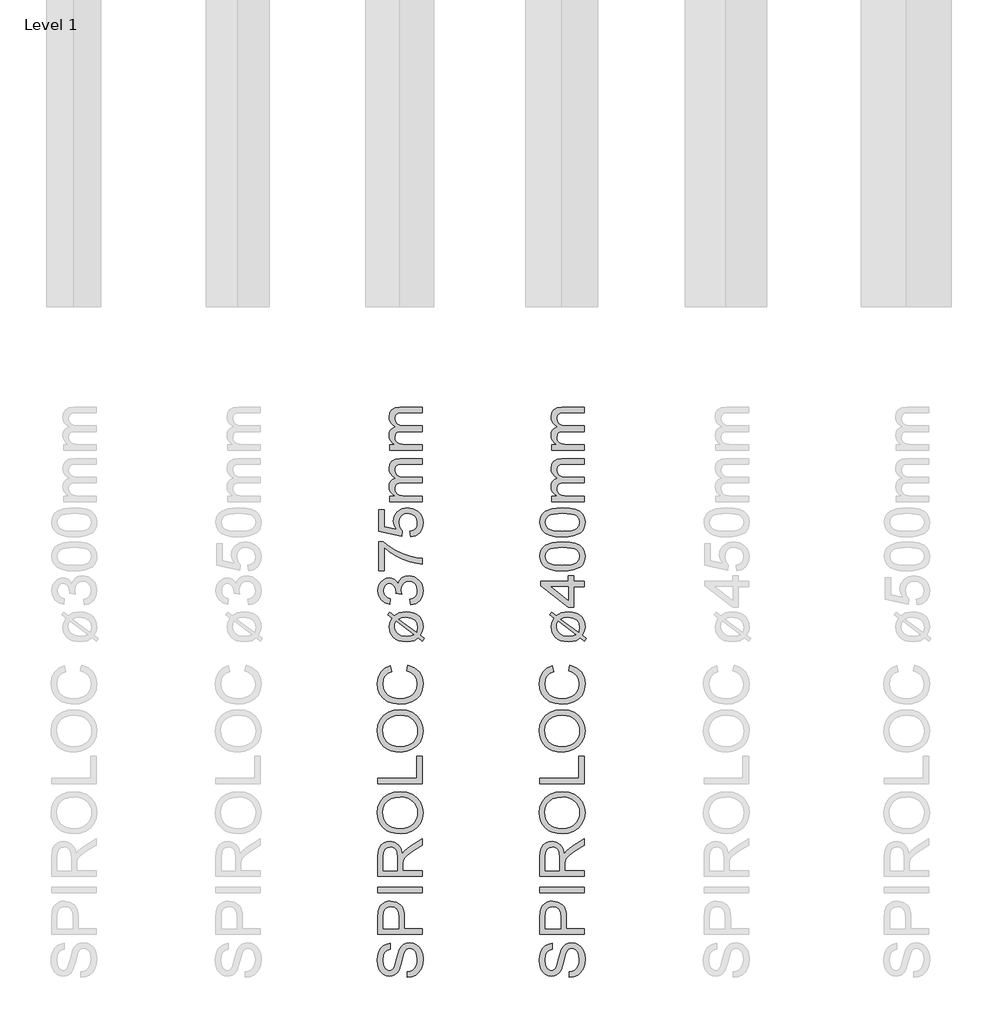
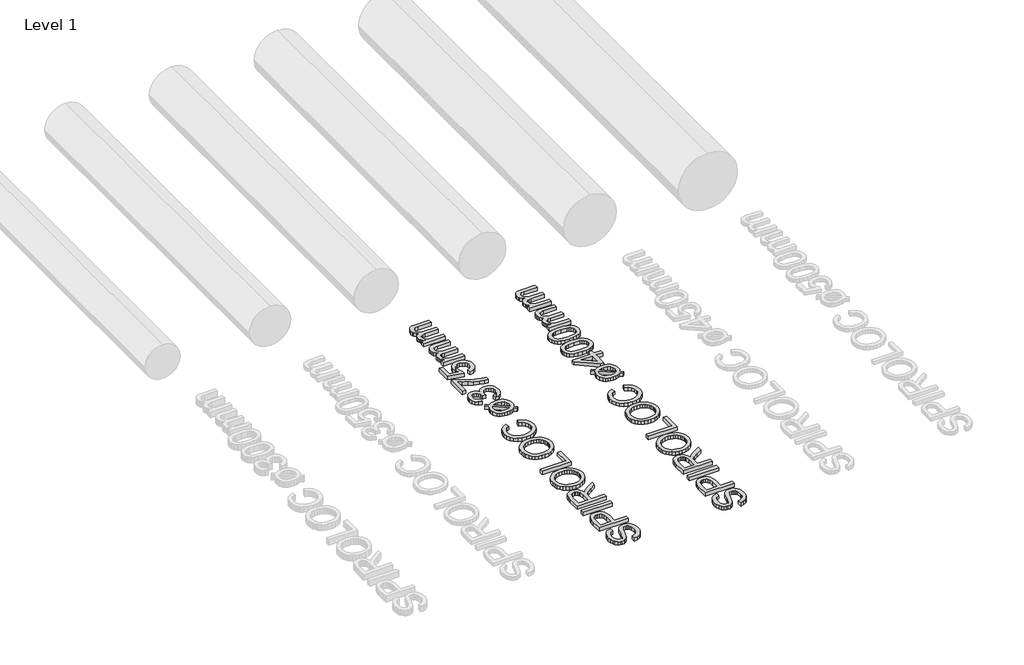
# One storey, part 9 of 19: 2 proxies.
"""IFC4 building model written with IfcOpenShell, lengths in millimetres."""

from ifc_helpers import new_model, si_unit, origin, origin_with_axes, place, context, project, spatial, polyline, outline, extrude, element, save

model = new_model("IFC4")

# Units and contexts
model_context = context("Model", 3, world=origin())
ifc_project = project(units=[si_unit("LENGTHUNIT", "METRE", prefix="MILLI")], contexts=[model_context])

# Site, building, storey
site = spatial("IfcSite", under=ifc_project)
building = spatial("IfcBuilding", under=site)
storey = spatial("IfcBuildingStorey", under=building, Name="Level 1", Elevation=0.0)

# Proxies
placement = place(None, origin())
element("IfcBuildingElementProxy", 1, Name="250mm", ObjectType="250mm", at=placement, inside=storey, context=model_context, shape_type="SweptSolid", body=[
    extrude(outline(polyline([(10517.1504922, -1501.7841772), (10517.1504922, -1471.0149464), (10534.2253119, -1467.4842974), (10547.949771, -1461.099081), (10558.8421989, -1451.1381435), (10567.4209249, -1436.880331), (10572.9873311, -1419.4524464), (10574.8427999, -1399.9812926), (10569.2238095, -1367.8298502), (10562.5531364, -1355.6678911), (10553.779098, -1347.0666291), (10543.7054802, -1341.950944), (10533.1360691, -1340.2457156), (10513.935348, -1345.3538887), (10506.3406965, -1353.1363406), (10499.9629922, -1366.2673502), (10488.2141941, -1411.0690329), (10473.0399153, -1459.2961964), (10462.6883528, -1474.6132036), (10450.1432807, -1485.4680714), (10435.6751316, -1491.93592), (10419.5543383, -1494.0918695), (10401.5330042, -1491.4251026), (10384.7286172, -1483.4248022), (10370.4858287, -1470.3013046), (10360.1492903, -1452.2649464), (10353.8617302, -1430.615307), (10351.7658768, -1406.6519656), (10353.9593864, -1380.6904272), (10360.5399153, -1357.974081), (10371.372247, -1339.3142252), (10386.3211653, -1325.5221579), (10404.4551797, -1316.7931916), (10424.8427999, -1313.3226387), (10424.8427999, -1344.0918695), (10406.4834249, -1349.7409079), (10393.232223, -1361.5197541), (10385.2093864, -1379.9242012), (10382.5351076, -1405.4500426), (10385.1793383, -1431.5768454), (10393.1120307, -1449.5005233), (10404.7857085, -1459.8671099), (10418.652896, -1463.3226387), (10430.4768143, -1460.8737204), (10439.9870307, -1453.5269656), (10448.4906364, -1436.1591772), (10457.1745307, -1403.286581), (10472.6192422, -1348.8394656), (10483.7821028, -1331.2989007), (10497.559146, -1319.0618214), (10513.8001316, -1311.872819), (10532.3548191, -1309.4764849), (10551.3226677, -1312.2333959), (10569.1637133, -1320.5041291), (10584.5182807, -1333.9506435), (10596.0266941, -1352.2348983), (10603.2156965, -1374.2225786), (10605.6120307, -1398.7793695), (10603.027896, -1428.9251026), (10595.2754922, -1453.7373022), (10582.324771, -1473.5014248), (10564.1456845, -1488.5029272), (10542.0002518, -1498.1333358), (10517.1504922, -1501.7841772)])), origin_with_axes(), (0.0, 0.0, 1.0), 30.0),
    extrude(outline(polyline([(10601.7658768, -1263.3226387), (10355.6120307, -1263.3226387), (10355.6120307, -1172.0966772), (10357.9557807, -1135.317831), (10362.3352879, -1118.919093), (10369.4641941, -1105.4199945), (10379.6655162, -1094.5501026), (10393.262271, -1086.0389849), (10409.3004321, -1080.5401868), (10426.825973, -1078.7072541), (10455.8373912, -1083.6576748), (10480.0110691, -1098.5089368), (10489.5287975, -1110.4023412), (10496.3271749, -1126.2808719), (10500.4062013, -1146.1445287), (10501.7658768, -1169.9933118), (10501.7658768, -1232.5534079), (10601.7658768, -1232.5534079), (10601.7658768, -1263.3226387)]), holes=[polyline([(10470.996646, -1232.5534079), (10470.996646, -1168.1904272), (10468.1721268, -1140.9067733), (10459.6985691, -1122.8779272), (10446.1018143, -1112.8268454), (10427.9077037, -1109.4764849), (10414.0855883, -1111.4521459), (10402.4269345, -1117.3791291), (10393.652896, -1126.5212565), (10388.4846268, -1138.1423502), (10386.3812614, -1168.911581), (10386.3812614, -1232.5534079), (10470.996646, -1232.5534079)])]), origin_with_axes(), (0.0, 0.0, 1.0), 30.0),
    extrude(outline(polyline([(10601.7658768, -1032.5534079), (10355.6120307, -1032.5534079), (10355.6120307, -1001.7841772), (10601.7658768, -1001.7841772), (10601.7658768, -1032.5534079)])), origin_with_axes(), (0.0, 0.0, 1.0), 30.0),
    extrude(outline(polyline([(10601.7658768, -940.2457156), (10355.6120307, -940.2457156), (10355.6120307, -834.1760041), (10357.2721869, -805.6678911), (10362.2526557, -784.927206), (10371.4473672, -769.7679512), (10385.7502518, -758.0041291), (10403.4861292, -750.4545498), (10422.9798191, -747.9380233), (10447.2286172, -752.107194), (10467.3307807, -764.614706), (10482.0693624, -785.8361603), (10490.2274153, -816.1471579), (10503.388473, -798.6591772), (10535.059146, -773.7192733), (10601.7658768, -732.6736002), (10601.7658768, -768.4308118), (10550.7442422, -800.4620618), (10516.9702037, -823.599081), (10501.0146749, -839.8550906), (10495.1552999, -854.4885041), (10494.0735691, -872.3370618), (10494.0735691, -909.4764849), (10601.7658768, -909.4764849), (10601.7658768, -940.2457156)]), holes=[polyline([(10463.3043383, -909.4764849), (10463.3043383, -840.6062926), (10458.9473672, -805.4800906), (10453.2833047, -793.9266051), (10445.0050595, -785.5281676), (10434.9915379, -780.4124825), (10424.121646, -778.7072541), (10409.1126316, -781.9599584), (10397.0182807, -791.7180714), (10389.0405162, -808.5074344), (10386.3812614, -832.8538887), (10386.3812614, -909.4764849), (10463.3043383, -909.4764849)])]), origin_with_axes(), (0.0, 0.0, 1.0), 30.0),
    extrude(outline(polyline([(10481.934146, -705.630331), (10453.0617001, -703.5795498), (10427.5020547, -697.427206), (10405.2552097, -687.1732998), (10386.3211653, -672.817831), (10371.2032266, -655.220926), (10360.4046989, -635.2427108), (10353.9255823, -612.8831856), (10351.7658768, -588.1423502), (10355.8223672, -555.8556916), (10367.9918383, -526.9043695), (10387.4179201, -502.8659079), (10413.2442422, -485.317831), (10444.2238095, -474.5906676), (10479.1096268, -471.0149464), (10514.4611893, -474.778468), (10545.8764537, -486.0690329), (10571.747848, -504.2631435), (10590.4677999, -528.7373022), (10601.825973, -557.4407276), (10605.6120307, -588.3226387), (10601.4278359, -621.1050906), (10588.8752518, -650.2216772), (10569.0885932, -674.2000426), (10543.2021749, -691.567831), (10513.4170186, -702.114706), (10481.934146, -705.630331)]), holes=[polyline([(10482.2346268, -674.8611002), (10502.633515, -673.3230143), (10520.7412374, -668.7087565), (10536.5577939, -661.0183268), (10550.0831845, -650.2517252), (10560.9155162, -637.1639097), (10568.652896, -622.5098382), (10573.2953239, -606.2895107), (10574.8427999, -588.5029272), (10573.2802999, -570.4121069), (10568.5927999, -554.0002228), (10560.7802999, -539.2672751), (10549.8427999, -526.2132637), (10536.0319525, -515.5255383), (10519.5994105, -507.8914488), (10500.5451737, -503.3109951), (10478.8692422, -501.7841772), (10451.6306605, -504.3983599), (10428.0879922, -512.2409079), (10408.8346869, -525.1089969), (10394.4641941, -542.7998022), (10385.5173792, -564.1414488), (10382.5351076, -587.9620618), (10388.2818023, -621.0600185), (10405.5218864, -649.2000426), (10418.9364748, -660.4267553), (10436.1934609, -668.4458358), (10457.292845, -673.2572841), (10482.2346268, -674.8611002)])]), origin_with_axes(), (0.0, 0.0, 1.0), 30.0),
    extrude(outline(polyline([(10601.7658768, -428.7072541), (10355.6120307, -428.7072541), (10355.6120307, -397.9380233), (10570.996646, -397.9380233), (10570.996646, -274.8611002), (10601.7658768, -274.8611002), (10601.7658768, -428.7072541)])), origin_with_axes(), (0.0, 0.0, 1.0), 30.0),
    extrude(outline(polyline([(10481.934146, -251.7841772), (10453.0617001, -249.7333959), (10427.5020547, -243.5810522), (10405.2552097, -233.3271459), (10386.3211653, -218.9716772), (10371.2032266, -201.3747721), (10360.4046989, -181.396557), (10353.9255823, -159.0370317), (10351.7658768, -134.2961964), (10355.8223672, -102.0095377), (10367.9918383, -73.0582156), (10387.4179201, -49.0197541), (10413.2442422, -31.4716772), (10444.2238095, -20.7445137), (10479.1096268, -17.1687926), (10514.4611893, -20.9323142), (10545.8764537, -32.2228791), (10571.747848, -50.4169897), (10590.4677999, -74.8911483), (10601.825973, -103.5945738), (10605.6120307, -134.4764849), (10601.4278359, -167.2589368), (10588.8752518, -196.3755233), (10569.0885932, -220.3538887), (10543.2021749, -237.7216772), (10513.4170186, -248.2685522), (10481.934146, -251.7841772)]), holes=[polyline([(10482.2346268, -221.0149464), (10502.633515, -219.4768605), (10520.7412374, -214.8626026), (10536.5577939, -207.172173), (10550.0831845, -196.4055714), (10560.9155162, -183.3177559), (10568.652896, -168.6636844), (10573.2953239, -152.4433569), (10574.8427999, -134.6567733), (10573.2802999, -116.565953), (10568.5927999, -100.154069), (10560.7802999, -85.4211213), (10549.8427999, -72.3671099), (10536.0319525, -61.6793845), (10519.5994105, -54.045295), (10500.5451737, -49.4648412), (10478.8692422, -47.9380233), (10451.6306605, -50.552206), (10428.0879922, -58.3947541), (10408.8346869, -71.262843), (10394.4641941, -88.9536483), (10385.5173792, -110.295295), (10382.5351076, -134.1159079), (10388.2818023, -167.2138647), (10405.5218864, -195.3538887), (10418.9364748, -206.5806014), (10436.1934609, -214.599682), (10457.292845, -219.4111303), (10482.2346268, -221.0149464)])]), origin_with_axes(), (0.0, 0.0, 1.0), 30.0),
    extrude(outline(polyline([(10514.2658768, 198.2158228), (10522.1985691, 228.9850536), (10558.0534369, 214.7873373), (10584.247848, 192.5066882), (10600.270985, 163.2398613), (10605.6120307, 128.0836113), (10601.5705643, 92.3940079), (10589.4461653, 64.0511594), (10569.6595066, 42.3263998), (10542.6312614, 26.4910632), (10510.8554201, 16.8230945), (10476.825973, 13.6004382), (10440.9335451, 17.2437675), (10409.9389537, 28.1737555), (10384.8262734, 45.8194887), (10366.5795787, 69.6100536), (10355.4693023, 97.8251978), (10351.7658768, 128.744669), (10356.5585451, 162.4811474), (10370.9365499, 190.3732748), (10394.013473, 211.549657), (10424.902896, 225.1388998), (10432.2346268, 194.369669), (10409.7962254, 183.7026017), (10394.404098, 169.1292844), (10385.5023552, 150.4694286), (10382.5351076, 127.5427459), (10385.825372, 101.1154623), (10395.6961653, 79.4057267), (10411.1108287, 62.9318685), (10431.0327037, 52.2122171), (10453.5537374, 46.330306), (10476.7658768, 44.369669), (10505.1913576, 46.6908829), (10529.7706845, 53.6545248), (10549.5648552, 65.5235151), (10563.6348672, 82.5607748), (10572.0408167, 102.985955), (10574.8427999, 125.0187074), (10571.0266941, 150.7023012), (10559.5783768, 172.104044), (10540.6180403, 188.2623974), (10514.2658768, 198.2158228)])), origin_with_axes(), (0.0, 0.0, 1.0), 30.0),
    extrude(outline(polyline([(10434.6985691, 490.2831305), (10410.419723, 508.6725536), (10421.5976076, 523.3360151), (10447.0182807, 504.0451498), (10473.2802999, 519.5499574), (10512.4629922, 525.1388998), (10536.0056605, 523.3923553), (10556.2129922, 518.1527219), (10573.0849874, 509.4199995), (10586.621646, 497.1941882), (10600.8644345, 472.2092123), (10605.6120307, 442.5667844), (10601.5705643, 417.822193), (10589.4461653, 396.1124574), (10613.3043383, 378.0235151), (10602.3668383, 363.119669), (10579.590396, 380.4273613), (10556.3932807, 366.4249574), (10536.591598, 361.4219526), (10514.325973, 359.7542844), (10490.4396298, 361.2717123), (10470.1027158, 365.8239959), (10453.3152308, 373.4111353), (10440.0771749, 384.0331305), (10422.8821629, 410.4303661), (10417.1504922, 441.0643805), (10421.387271, 466.0042844), (10434.6985691, 490.2831305)]), holes=[polyline([(10456.5735691, 473.6965921), (10450.0831845, 458.3119767), (10447.919723, 442.2062074), (10452.0738696, 421.9988757), (10464.5363095, 405.3672651), (10485.2168984, 394.2344526), (10514.0254922, 390.5235151), (10536.4413576, 392.6719526), (10554.8908768, 399.1172651), (10456.5735691, 473.6965921)]), polyline([(10471.9581845, 485.1749574), (10569.7346268, 411.0163036), (10574.8427999, 440.5836113), (10570.7787975, 461.9177459), (10558.5867903, 479.1653421), (10538.2818023, 490.5685873), (10509.8788576, 494.369669), (10488.6649153, 492.025919), (10471.9581845, 485.1749574)])]), origin_with_axes(), (0.0, 0.0, 1.0), 30.0),
    extrude(outline(polyline([(10536.3812614, 563.6004382), (10532.5351076, 594.369669), (10551.8710451, 601.2581906), (10564.9269345, 611.3468324), (10572.3638335, 625.1313877), (10574.8427999, 643.1076498), (10571.4323432, 664.2013998), (10561.200973, 680.4874574), (10545.9365499, 690.8991161), (10527.4269345, 694.369669), (10509.8563215, 690.9291642), (10495.606021, 680.6076498), (10486.1634129, 664.9826498), (10483.0158768, 645.6316882), (10486.3812614, 624.057169), (10455.6120307, 627.4826498), (10455.9726076, 632.4105344), (10453.7640739, 650.8450296), (10447.138473, 667.3263998), (10435.9305403, 678.9550055), (10419.9750114, 682.8312074), (10406.6862494, 680.0217123), (10395.9065018, 671.5932267), (10388.7625715, 658.7326498), (10386.3812614, 642.6268805), (10388.7851076, 626.4910632), (10395.996646, 613.2999574), (10408.0158768, 603.6695488), (10424.8427999, 598.2158228), (10420.996646, 567.4465921), (10393.3674393, 576.5060873), (10372.7394345, 592.6268805), (10359.8938816, 614.682169), (10355.6120307, 641.5451498), (10357.7229081, 660.8885993), (10364.0555403, 678.6545248), (10374.0465258, 693.6334911), (10387.1324633, 704.6160632), (10402.2090859, 711.3543445), (10418.1721268, 713.6004382), (10433.0459249, 711.4670248), (10446.5375114, 705.0667844), (10458.0309008, 694.4898613), (10466.9101076, 679.8263998), (10474.6925595, 699.0872171), (10487.9437614, 713.3600536), (10505.9425595, 722.1941882), (10527.9677999, 725.1388998), (10557.9557807, 719.2494767), (10583.0158768, 701.5812074), (10592.9016941, 689.0248673), (10599.9629922, 674.9135392), (10605.6120307, 642.025919), (10600.7893143, 612.2783228), (10586.3211653, 588.0595728), (10564.1907566, 571.2176257), (10536.3812614, 563.6004382)])), origin_with_axes(), (0.0, 0.0, 1.0), 30.0),
    extrude(outline(polyline([(10390.2274153, 752.0619767), (10359.4581845, 752.0619767), (10359.4581845, 913.6004382), (10384.3379922, 913.6004382), (10413.4771148, 890.5760993), (10450.5339057, 867.7771209), (10492.1279561, 847.6674454), (10534.8788576, 832.7110151), (10566.8650355, 825.3792844), (10601.7658768, 821.2927459), (10601.7658768, 790.5235151), (10570.0501316, 793.8513397), (10532.3548191, 802.7530824), (10492.3983888, 816.9883589), (10453.8992903, 836.3167844), (10419.0961052, 858.8828901), (10390.2274153, 882.8312074), (10390.2274153, 752.0619767)])), origin_with_axes(), (0.0, 0.0, 1.0), 30.0),
    extrude(outline(polyline([(10536.3812614, 940.5235151), (10532.5351076, 971.2927459), (10551.0071629, 976.9417844), (10564.2358287, 986.7975536), (10572.1910571, 1000.8149815), (10574.8427999, 1018.9489959), (10571.1543984, 1041.0042844), (10560.0891941, 1057.5307267), (10542.9242302, 1067.8522411), (10520.9365499, 1071.2927459), (10500.2334249, 1068.0700897), (10484.3980883, 1058.4021209), (10474.3470066, 1042.2137195), (10470.996646, 1019.4297651), (10476.3452037, 992.416544), (10490.2274153, 975.1388998), (10486.3812614, 944.369669), (10359.4581845, 971.2927459), (10359.4581845, 1090.5235151), (10390.2274153, 1090.5235151), (10390.2274153, 996.1725536), (10458.0158768, 983.0114959), (10444.6745307, 1004.9916642), (10440.2274153, 1028.0235151), (10445.7412374, 1056.7720127), (10462.2827037, 1080.6376978), (10487.4930403, 1096.705907), (10519.013473, 1102.0619767), (10549.7827037, 1097.2392603), (10576.1048191, 1082.7711113), (10589.0142242, 1069.9856546), (10598.2352278, 1055.0667844), (10603.7678299, 1038.0145007), (10605.6120307, 1018.8288036), (10600.8719465, 988.6079502), (10586.6516941, 964.5319286), (10564.6039177, 948.0280224), (10536.3812614, 940.5235151)])), origin_with_axes(), (0.0, 0.0, 1.0), 30.0),
    extrude(outline(polyline([(10601.7658768, 1136.6773613), (10420.996646, 1136.6773613), (10420.996646, 1167.4465921), (10450.7442422, 1167.4465921), (10437.0798792, 1176.7013998), (10426.3752518, 1188.6004382), (10419.4566821, 1202.7380584), (10417.1504922, 1218.7086113), (10419.5017542, 1235.8209911), (10426.5555403, 1249.5379382), (10437.8461052, 1259.7843324), (10452.9077037, 1266.4850536), (10437.2639237, 1277.7004983), (10426.0897951, 1290.4934671), (10419.3853179, 1304.8639599), (10417.1504922, 1320.8119767), (10420.8689417, 1343.9414839), (10432.0242903, 1361.0463517), (10450.9170186, 1371.6157627), (10477.8476076, 1375.1388998), (10601.7658768, 1375.1388998), (10601.7658768, 1344.369669), (10491.0687614, 1344.369669), (10465.3776557, 1341.5151017), (10452.7274153, 1331.1785632), (10447.919723, 1313.6004382), (10450.9996508, 1296.9312675), (10460.2394345, 1283.3420248), (10476.2700835, 1274.3050656), (10499.7226076, 1271.2927459), (10601.7658768, 1271.2927459), (10601.7658768, 1240.5235151), (10487.6432807, 1240.5235151), (10470.2454441, 1238.7431666), (10457.8355883, 1233.4021209), (10450.3986893, 1224.0045849), (10447.919723, 1210.0547651), (10449.5723672, 1198.2007988), (10454.5302999, 1187.2783228), (10462.6733287, 1178.2638998), (10473.8812614, 1172.1340921), (10510.6000114, 1167.4465921), (10601.7658768, 1167.4465921), (10601.7658768, 1136.6773613)])), origin_with_axes(), (0.0, 0.0, 1.0), 30.0),
    extrude(outline(polyline([(10601.7658768, 1421.2927459), (10420.996646, 1421.2927459), (10420.996646, 1452.0619767), (10450.7442422, 1452.0619767), (10437.0798792, 1461.3167844), (10426.3752518, 1473.2158228), (10419.4566821, 1487.353443), (10417.1504922, 1503.3239959), (10419.5017542, 1520.4363757), (10426.5555403, 1534.1533228), (10437.8461052, 1544.3997171), (10452.9077037, 1551.1004382), (10437.2639237, 1562.3158829), (10426.0897951, 1575.1088517), (10419.3853179, 1589.4793445), (10417.1504922, 1605.4273613), (10420.8689417, 1628.5568685), (10432.0242903, 1645.6617363), (10450.9170186, 1656.2311474), (10477.8476076, 1659.7542844), (10601.7658768, 1659.7542844), (10601.7658768, 1628.9850536), (10491.0687614, 1628.9850536), (10465.3776557, 1626.1304863), (10452.7274153, 1615.7939478), (10447.919723, 1598.2158228), (10450.9996508, 1581.5466522), (10460.2394345, 1567.9574094), (10476.2700835, 1558.9204502), (10499.7226076, 1555.9081305), (10601.7658768, 1555.9081305), (10601.7658768, 1525.1388998), (10487.6432807, 1525.1388998), (10470.2454441, 1523.3585512), (10457.8355883, 1518.0175055), (10450.3986893, 1508.6199695), (10447.919723, 1494.6701498), (10449.5723672, 1482.8161834), (10454.5302999, 1471.8937074), (10462.6733287, 1462.8792844), (10473.8812614, 1456.7494767), (10510.6000114, 1452.0619767), (10601.7658768, 1452.0619767), (10601.7658768, 1421.2927459)])), origin_with_axes(), (0.0, 0.0, 1.0), 30.0),
])
element("IfcBuildingElementProxy", 2, Name="250mm", ObjectType="250mm", at=placement, inside=storey, context=model_context, shape_type="SweptSolid", body=[
    extrude(outline(polyline([(11415.2274153, -1501.7841772), (11415.2274153, -1471.0149464), (11432.302235, -1467.4842974), (11446.0266941, -1461.099081), (11456.919122, -1451.1381435), (11465.497848, -1436.880331), (11471.0642542, -1419.4524464), (11472.919723, -1399.9812926), (11467.3007326, -1367.8298502), (11460.6300595, -1355.6678911), (11451.856021, -1347.0666291), (11441.7824033, -1341.950944), (11431.2129922, -1340.2457156), (11412.012271, -1345.3538887), (11404.4176196, -1353.1363406), (11398.0399153, -1366.2673502), (11386.2911172, -1411.0690329), (11371.1168383, -1459.2961964), (11360.7652758, -1474.6132036), (11348.2202037, -1485.4680714), (11333.7520547, -1491.93592), (11317.6312614, -1494.0918695), (11299.6099273, -1491.4251026), (11282.8055403, -1483.4248022), (11268.5627518, -1470.3013046), (11258.2262133, -1452.2649464), (11251.9386533, -1430.615307), (11249.8427999, -1406.6519656), (11252.0363095, -1380.6904272), (11258.6168383, -1357.974081), (11269.4491701, -1339.3142252), (11284.3980883, -1325.5221579), (11302.5321028, -1316.7931916), (11322.919723, -1313.3226387), (11322.919723, -1344.0918695), (11304.560348, -1349.7409079), (11291.309146, -1361.5197541), (11283.2863095, -1379.9242012), (11280.6120307, -1405.4500426), (11283.2562614, -1431.5768454), (11291.1889537, -1449.5005233), (11302.8626316, -1459.8671099), (11316.7298191, -1463.3226387), (11328.5537374, -1460.8737204), (11338.0639537, -1453.5269656), (11346.5675595, -1436.1591772), (11355.2514537, -1403.286581), (11370.6961653, -1348.8394656), (11381.8590258, -1331.2989007), (11395.6360691, -1319.0618214), (11411.8770547, -1311.872819), (11430.4317422, -1309.4764849), (11449.3995908, -1312.2333959), (11467.2406364, -1320.5041291), (11482.5952037, -1333.9506435), (11494.1036172, -1352.2348983), (11501.2926196, -1374.2225786), (11503.6889537, -1398.7793695), (11501.1048191, -1428.9251026), (11493.3524153, -1453.7373022), (11480.4016941, -1473.5014248), (11462.2226076, -1488.5029272), (11440.0771749, -1498.1333358), (11415.2274153, -1501.7841772)])), origin_with_axes(), (0.0, 0.0, 1.0), 30.0),
    extrude(outline(polyline([(11499.8427999, -1263.3226387), (11253.6889537, -1263.3226387), (11253.6889537, -1172.0966772), (11256.0327037, -1135.317831), (11260.4122109, -1118.919093), (11267.5411172, -1105.4199945), (11277.7424393, -1094.5501026), (11291.3391941, -1086.0389849), (11307.3773552, -1080.5401868), (11324.902896, -1078.7072541), (11353.9143143, -1083.6576748), (11378.0879922, -1098.5089368), (11387.6057206, -1110.4023412), (11394.404098, -1126.2808719), (11398.4831244, -1146.1445287), (11399.8427999, -1169.9933118), (11399.8427999, -1232.5534079), (11499.8427999, -1232.5534079), (11499.8427999, -1263.3226387)]), holes=[polyline([(11369.0735691, -1232.5534079), (11369.0735691, -1168.1904272), (11366.2490499, -1140.9067733), (11357.7754922, -1122.8779272), (11344.1787374, -1112.8268454), (11325.9846268, -1109.4764849), (11312.1625114, -1111.4521459), (11300.5038576, -1117.3791291), (11291.7298191, -1126.5212565), (11286.5615499, -1138.1423502), (11284.4581845, -1168.911581), (11284.4581845, -1232.5534079), (11369.0735691, -1232.5534079)])]), origin_with_axes(), (0.0, 0.0, 1.0), 30.0),
    extrude(outline(polyline([(11499.8427999, -1032.5534079), (11253.6889537, -1032.5534079), (11253.6889537, -1001.7841772), (11499.8427999, -1001.7841772), (11499.8427999, -1032.5534079)])), origin_with_axes(), (0.0, 0.0, 1.0), 30.0),
    extrude(outline(polyline([(11499.8427999, -940.2457156), (11253.6889537, -940.2457156), (11253.6889537, -834.1760041), (11255.34911, -805.6678911), (11260.3295787, -784.927206), (11269.5242903, -769.7679512), (11283.8271749, -758.0041291), (11301.5630523, -750.4545498), (11321.0567422, -747.9380233), (11345.3055403, -752.107194), (11365.4077037, -764.614706), (11380.1462855, -785.8361603), (11388.3043383, -816.1471579), (11401.465396, -798.6591772), (11433.1360691, -773.7192733), (11499.8427999, -732.6736002), (11499.8427999, -768.4308118), (11448.8211653, -800.4620618), (11415.0471268, -823.599081), (11399.091598, -839.8550906), (11393.232223, -854.4885041), (11392.1504922, -872.3370618), (11392.1504922, -909.4764849), (11499.8427999, -909.4764849), (11499.8427999, -940.2457156)]), holes=[polyline([(11361.3812614, -909.4764849), (11361.3812614, -840.6062926), (11357.0242903, -805.4800906), (11351.3602278, -793.9266051), (11343.0819826, -785.5281676), (11333.0684609, -780.4124825), (11322.1985691, -778.7072541), (11307.1895547, -781.9599584), (11295.0952037, -791.7180714), (11287.1174393, -808.5074344), (11284.4581845, -832.8538887), (11284.4581845, -909.4764849), (11361.3812614, -909.4764849)])]), origin_with_axes(), (0.0, 0.0, 1.0), 30.0),
    extrude(outline(polyline([(11380.0110691, -705.630331), (11351.1386232, -703.5795498), (11325.5789778, -697.427206), (11303.3321328, -687.1732998), (11284.3980883, -672.817831), (11269.2801496, -655.220926), (11258.481622, -635.2427108), (11252.0025054, -612.8831856), (11249.8427999, -588.1423502), (11253.8992903, -555.8556916), (11266.0687614, -526.9043695), (11285.4948432, -502.8659079), (11311.3211653, -485.317831), (11342.3007326, -474.5906676), (11377.1865499, -471.0149464), (11412.5381124, -474.778468), (11443.9533768, -486.0690329), (11469.824771, -504.2631435), (11488.544723, -528.7373022), (11499.902896, -557.4407276), (11503.6889537, -588.3226387), (11499.504759, -621.1050906), (11486.9521749, -650.2216772), (11467.1655162, -674.2000426), (11441.279098, -691.567831), (11411.4939417, -702.114706), (11380.0110691, -705.630331)]), holes=[polyline([(11380.3115499, -674.8611002), (11400.7104381, -673.3230143), (11418.8181605, -668.7087565), (11434.634717, -661.0183268), (11448.1601076, -650.2517252), (11458.9924393, -637.1639097), (11466.7298191, -622.5098382), (11471.372247, -606.2895107), (11472.919723, -588.5029272), (11471.357223, -570.4121069), (11466.669723, -554.0002228), (11458.857223, -539.2672751), (11447.919723, -526.2132637), (11434.1088756, -515.5255383), (11417.6763335, -507.8914488), (11398.6220968, -503.3109951), (11376.9461653, -501.7841772), (11349.7075835, -504.3983599), (11326.1649153, -512.2409079), (11306.91161, -525.1089969), (11292.5411172, -542.7998022), (11283.5943023, -564.1414488), (11280.6120307, -587.9620618), (11286.3587254, -621.0600185), (11303.5988095, -649.2000426), (11317.0133978, -660.4267553), (11334.270384, -668.4458358), (11355.369768, -673.2572841), (11380.3115499, -674.8611002)])]), origin_with_axes(), (0.0, 0.0, 1.0), 30.0),
    extrude(outline(polyline([(11499.8427999, -428.7072541), (11253.6889537, -428.7072541), (11253.6889537, -397.9380233), (11469.0735691, -397.9380233), (11469.0735691, -274.8611002), (11499.8427999, -274.8611002), (11499.8427999, -428.7072541)])), origin_with_axes(), (0.0, 0.0, 1.0), 30.0),
    extrude(outline(polyline([(11380.0110691, -251.7841772), (11351.1386232, -249.7333959), (11325.5789778, -243.5810522), (11303.3321328, -233.3271459), (11284.3980883, -218.9716772), (11269.2801496, -201.3747721), (11258.481622, -181.396557), (11252.0025054, -159.0370317), (11249.8427999, -134.2961964), (11253.8992903, -102.0095377), (11266.0687614, -73.0582156), (11285.4948432, -49.0197541), (11311.3211653, -31.4716772), (11342.3007326, -20.7445137), (11377.1865499, -17.1687926), (11412.5381124, -20.9323142), (11443.9533768, -32.2228791), (11469.824771, -50.4169897), (11488.544723, -74.8911483), (11499.902896, -103.5945738), (11503.6889537, -134.4764849), (11499.504759, -167.2589368), (11486.9521749, -196.3755233), (11467.1655162, -220.3538887), (11441.279098, -237.7216772), (11411.4939417, -248.2685522), (11380.0110691, -251.7841772)]), holes=[polyline([(11380.3115499, -221.0149464), (11400.7104381, -219.4768605), (11418.8181605, -214.8626026), (11434.634717, -207.172173), (11448.1601076, -196.4055714), (11458.9924393, -183.3177559), (11466.7298191, -168.6636844), (11471.372247, -152.4433569), (11472.919723, -134.6567733), (11471.357223, -116.565953), (11466.669723, -100.154069), (11458.857223, -85.4211213), (11447.919723, -72.3671099), (11434.1088756, -61.6793845), (11417.6763335, -54.045295), (11398.6220968, -49.4648412), (11376.9461653, -47.9380233), (11349.7075835, -50.552206), (11326.1649153, -58.3947541), (11306.91161, -71.262843), (11292.5411172, -88.9536483), (11283.5943023, -110.295295), (11280.6120307, -134.1159079), (11286.3587254, -167.2138647), (11303.5988095, -195.3538887), (11317.0133978, -206.5806014), (11334.270384, -214.599682), (11355.369768, -219.4111303), (11380.3115499, -221.0149464)])]), origin_with_axes(), (0.0, 0.0, 1.0), 30.0),
    extrude(outline(polyline([(11412.3427999, 198.2158228), (11420.2754922, 228.9850536), (11456.13036, 214.7873373), (11482.324771, 192.5066882), (11498.3479081, 163.2398613), (11503.6889537, 128.0836113), (11499.6474874, 92.3940079), (11487.5230883, 64.0511594), (11467.7364297, 42.3263998), (11440.7081845, 26.4910632), (11408.9323432, 16.8230945), (11374.902896, 13.6004382), (11339.0104682, 17.2437675), (11308.0158768, 28.1737555), (11282.9031965, 45.8194887), (11264.6565018, 69.6100536), (11253.5462254, 97.8251978), (11249.8427999, 128.744669), (11254.6354682, 162.4811474), (11269.013473, 190.3732748), (11292.090396, 211.549657), (11322.9798191, 225.1388998), (11330.3115499, 194.369669), (11307.8731484, 183.7026017), (11292.481021, 169.1292844), (11283.5792783, 150.4694286), (11280.6120307, 127.5427459), (11283.9022951, 101.1154623), (11293.7730883, 79.4057267), (11309.1877518, 62.9318685), (11329.1096268, 52.2122171), (11351.6306605, 46.330306), (11374.8427999, 44.369669), (11403.2682807, 46.6908829), (11427.8476076, 53.6545248), (11447.6417783, 65.5235151), (11461.7117903, 82.5607748), (11470.1177398, 102.985955), (11472.919723, 125.0187074), (11469.1036172, 150.7023012), (11457.6552999, 172.104044), (11438.6949633, 188.2623974), (11412.3427999, 198.2158228)])), origin_with_axes(), (0.0, 0.0, 1.0), 30.0),
    extrude(outline(polyline([(11332.7754922, 490.2831305), (11308.496646, 508.6725536), (11319.6745307, 523.3360151), (11345.0952037, 504.0451498), (11371.357223, 519.5499574), (11410.5399153, 525.1388998), (11434.0825835, 523.3923553), (11454.2899153, 518.1527219), (11471.1619105, 509.4199995), (11484.6985691, 497.1941882), (11498.9413576, 472.2092123), (11503.6889537, 442.5667844), (11499.6474874, 417.822193), (11487.5230883, 396.1124574), (11511.3812614, 378.0235151), (11500.4437614, 363.119669), (11477.6673191, 380.4273613), (11454.4702037, 366.4249574), (11434.668521, 361.4219526), (11412.402896, 359.7542844), (11388.5165529, 361.2717123), (11368.1796388, 365.8239959), (11351.3921539, 373.4111353), (11338.154098, 384.0331305), (11320.9590859, 410.4303661), (11315.2274153, 441.0643805), (11319.4641941, 466.0042844), (11332.7754922, 490.2831305)]), holes=[polyline([(11354.6504922, 473.6965921), (11348.1601076, 458.3119767), (11345.996646, 442.2062074), (11350.1507927, 421.9988757), (11362.6132326, 405.3672651), (11383.2938215, 394.2344526), (11412.1024153, 390.5235151), (11434.5182807, 392.6719526), (11452.9677999, 399.1172651), (11354.6504922, 473.6965921)]), polyline([(11370.0351076, 485.1749574), (11467.8115499, 411.0163036), (11472.919723, 440.5836113), (11468.8557206, 461.9177459), (11456.6637133, 479.1653421), (11436.3587254, 490.5685873), (11407.9557807, 494.369669), (11386.7418383, 492.025919), (11370.0351076, 485.1749574)])]), origin_with_axes(), (0.0, 0.0, 1.0), 30.0),
    extrude(outline(polyline([(11499.8427999, 663.6004382), (11442.1504922, 663.6004382), (11442.1504922, 552.0619767), (11411.3812614, 552.0619767), (11257.5351076, 671.2927459), (11257.5351076, 694.369669), (11411.3812614, 694.369669), (11411.3812614, 725.1388998), (11442.1504922, 725.1388998), (11442.1504922, 694.369669), (11499.8427999, 694.369669), (11499.8427999, 663.6004382)]), holes=[polyline([(11411.3812614, 663.6004382), (11316.309146, 663.6004382), (11411.3812614, 589.9225536), (11411.3812614, 663.6004382)])]), origin_with_axes(), (0.0, 0.0, 1.0), 30.0),
    extrude(outline(polyline([(11378.7490499, 752.0619767), (11339.348509, 754.3230945), (11307.9257326, 761.1064478), (11283.9999513, 772.3444286), (11267.090396, 787.9694286), (11257.0393143, 808.0941281), (11253.6889537, 832.8312074), (11255.6721268, 851.791544), (11261.621646, 868.7687074), (11271.3046388, 882.9664238), (11284.4882326, 893.588419), (11320.9065018, 908.0114959), (11346.1093263, 912.2032026), (11378.7490499, 913.6004382), (11417.9242302, 911.3618565), (11449.2718864, 904.6461113), (11473.2202037, 893.4757387), (11490.1973672, 877.8732748), (11500.3160571, 857.7035031), (11503.6889537, 832.8312074), (11502.22411, 815.8840921), (11497.8295787, 800.8600536), (11490.50536, 787.7590921), (11480.2514537, 776.5812074), (11461.7155463, 765.854044), (11438.6198432, 758.1917844), (11410.9643444, 753.5944286), (11378.7490499, 752.0619767)]), holes=[polyline([(11378.6889537, 782.8312074), (11427.0888936, 786.4369767), (11443.643506, 790.9441882), (11455.1012133, 797.2542844), (11468.4650956, 813.3600536), (11472.919723, 832.8312074), (11468.4500715, 852.3023613), (11455.0411172, 868.4081305), (11443.5646298, 874.7182267), (11427.0137734, 879.2254382), (11378.6889537, 882.8312074), (11331.3782566, 879.3456305), (11314.8781064, 874.9886594), (11303.1480883, 868.8888998), (11289.1306605, 852.8131786), (11284.4581845, 832.4706305), (11288.574771, 813.2098132), (11300.9245307, 797.7350536), (11313.6949633, 791.2146209), (11330.9125114, 786.557169), (11378.6889537, 782.8312074)])]), origin_with_axes(), (0.0, 0.0, 1.0), 30.0),
    extrude(outline(polyline([(11378.7490499, 940.5235151), (11339.348509, 942.7846329), (11307.9257326, 949.5679863), (11283.9999513, 960.8059671), (11267.090396, 976.4309671), (11257.0393143, 996.5556666), (11253.6889537, 1021.2927459), (11255.6721268, 1040.2530824), (11261.621646, 1057.2302459), (11271.3046388, 1071.4279623), (11284.4882326, 1082.0499574), (11320.9065018, 1096.4730344), (11346.1093263, 1100.6647411), (11378.7490499, 1102.0619767), (11417.9242302, 1099.8233949), (11449.2718864, 1093.1076498), (11473.2202037, 1081.9372772), (11490.1973672, 1066.3348132), (11500.3160571, 1046.1650416), (11503.6889537, 1021.2927459), (11502.22411, 1004.3456305), (11497.8295787, 989.3215921), (11490.50536, 976.2206305), (11480.2514537, 965.0427459), (11461.7155463, 954.3155824), (11438.6198432, 946.6533228), (11410.9643444, 942.0559671), (11378.7490499, 940.5235151)]), holes=[polyline([(11378.6889537, 971.2927459), (11427.0888936, 974.8985151), (11443.643506, 979.4057267), (11455.1012133, 985.7158228), (11468.4650956, 1001.8215921), (11472.919723, 1021.2927459), (11468.4500715, 1040.7638998), (11455.0411172, 1056.869669), (11443.5646298, 1063.1797651), (11427.0137734, 1067.6869767), (11378.6889537, 1071.2927459), (11331.3782566, 1067.807169), (11314.8781064, 1063.4501978), (11303.1480883, 1057.3504382), (11289.1306605, 1041.2747171), (11284.4581845, 1020.932169), (11288.574771, 1001.6713517), (11300.9245307, 986.1965921), (11313.6949633, 979.6761594), (11330.9125114, 975.0187074), (11378.6889537, 971.2927459)])]), origin_with_axes(), (0.0, 0.0, 1.0), 30.0),
    extrude(outline(polyline([(11499.8427999, 1136.6773613), (11319.0735691, 1136.6773613), (11319.0735691, 1167.4465921), (11348.8211653, 1167.4465921), (11335.1568023, 1176.7013998), (11324.4521749, 1188.6004382), (11317.5336052, 1202.7380584), (11315.2274153, 1218.7086113), (11317.5786773, 1235.8209911), (11324.6324633, 1249.5379382), (11335.9230283, 1259.7843324), (11350.9846268, 1266.4850536), (11335.3408468, 1277.7004983), (11324.1667182, 1290.4934671), (11317.462241, 1304.8639599), (11315.2274153, 1320.8119767), (11318.9458648, 1343.9414839), (11330.1012133, 1361.0463517), (11348.9939417, 1371.6157627), (11375.9245307, 1375.1388998), (11499.8427999, 1375.1388998), (11499.8427999, 1344.369669), (11389.1456845, 1344.369669), (11363.4545787, 1341.5151017), (11350.8043383, 1331.1785632), (11345.996646, 1313.6004382), (11349.0765739, 1296.9312675), (11358.3163576, 1283.3420248), (11374.3470066, 1274.3050656), (11397.7995307, 1271.2927459), (11499.8427999, 1271.2927459), (11499.8427999, 1240.5235151), (11385.7202037, 1240.5235151), (11368.3223672, 1238.7431666), (11355.9125114, 1233.4021209), (11348.4756124, 1224.0045849), (11345.996646, 1210.0547651), (11347.6492903, 1198.2007988), (11352.607223, 1187.2783228), (11360.7502518, 1178.2638998), (11371.9581845, 1172.1340921), (11408.6769345, 1167.4465921), (11499.8427999, 1167.4465921), (11499.8427999, 1136.6773613)])), origin_with_axes(), (0.0, 0.0, 1.0), 30.0),
    extrude(outline(polyline([(11499.8427999, 1421.2927459), (11319.0735691, 1421.2927459), (11319.0735691, 1452.0619767), (11348.8211653, 1452.0619767), (11335.1568023, 1461.3167844), (11324.4521749, 1473.2158228), (11317.5336052, 1487.353443), (11315.2274153, 1503.3239959), (11317.5786773, 1520.4363757), (11324.6324633, 1534.1533228), (11335.9230283, 1544.3997171), (11350.9846268, 1551.1004382), (11335.3408468, 1562.3158829), (11324.1667182, 1575.1088517), (11317.462241, 1589.4793445), (11315.2274153, 1605.4273613), (11318.9458648, 1628.5568685), (11330.1012133, 1645.6617363), (11348.9939417, 1656.2311474), (11375.9245307, 1659.7542844), (11499.8427999, 1659.7542844), (11499.8427999, 1628.9850536), (11389.1456845, 1628.9850536), (11363.4545787, 1626.1304863), (11350.8043383, 1615.7939478), (11345.996646, 1598.2158228), (11349.0765739, 1581.5466522), (11358.3163576, 1567.9574094), (11374.3470066, 1558.9204502), (11397.7995307, 1555.9081305), (11499.8427999, 1555.9081305), (11499.8427999, 1525.1388998), (11385.7202037, 1525.1388998), (11368.3223672, 1523.3585512), (11355.9125114, 1518.0175055), (11348.4756124, 1508.6199695), (11345.996646, 1494.6701498), (11347.6492903, 1482.8161834), (11352.607223, 1471.8937074), (11360.7502518, 1462.8792844), (11371.9581845, 1456.7494767), (11408.6769345, 1452.0619767), (11499.8427999, 1452.0619767), (11499.8427999, 1421.2927459)])), origin_with_axes(), (0.0, 0.0, 1.0), 30.0),
])

save(model, "model.ifc")
